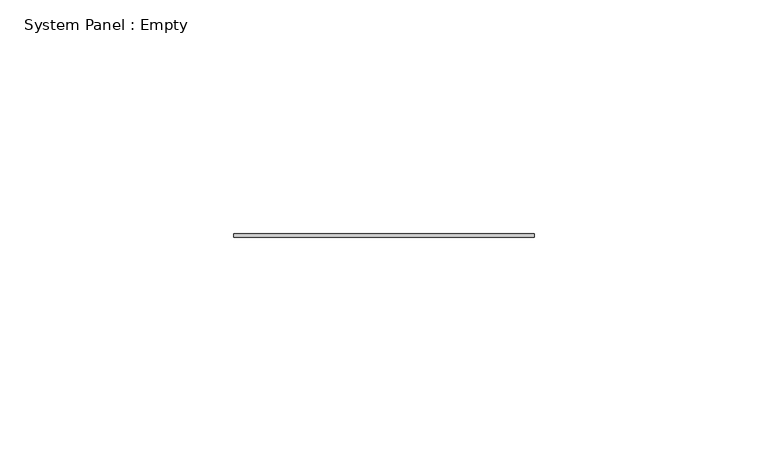
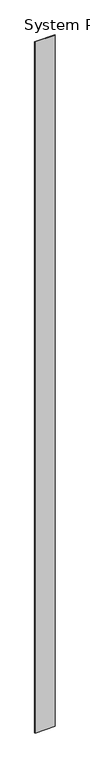
"""IFC4 building model written with IfcOpenShell, lengths in millimetres: plate geometry, System Panel : Empty."""

import ifcopenshell
import ifcopenshell.guid

model = None  # the IFC model being written
_history = None  # IfcOwnerHistory: only IFC2X3 demands one
_inside = {}  # id of a spatial element -> (the spatial element, [elements in it])
_under = {}  # id of a project, library or spatial element -> (it, [spatial elements below it])
_declared = {}  # id of a project -> (the project, [libraries it declares])
_typed = {}  # id of a type object -> (the type object, [elements of that type])
_made_of = {}  # id of a material, layer set ... -> (it, [elements and type objects made of it])


def new_model(schema):
    """Start an empty IFC model of exactly this schema.

    Asked for "IFC4X3", IfcOpenShell would pick the latest addendum, in which some entities
    have other attributes; the version numbers below select the first issue.
    IFC2X3 requires an IfcOwnerHistory on every rooted entity: one is made here for all.
    """
    global model, _history
    if schema == "IFC4X3":
        model = ifcopenshell.file(schema_version=(4, 3, 0, 0))
    else:
        model = ifcopenshell.file(schema=schema)
    _inside.clear()
    _under.clear()
    _declared.clear()
    _typed.clear()
    _made_of.clear()
    _history = None
    if model.schema == "IFC2X3":
        org = make("IfcOrganization", Name="unknown")
        user = make(
            "IfcPersonAndOrganization",
            ThePerson=make("IfcPerson", FamilyName="unknown"),
            TheOrganization=org,
        )
        app = make(
            "IfcApplication",
            ApplicationDeveloper=org,
            Version="unknown",
            ApplicationFullName="unknown",
            ApplicationIdentifier="unknown",
        )
        _history = make(
            "IfcOwnerHistory",
            OwningUser=user,
            OwningApplication=app,
            ChangeAction="ADDED",
            CreationDate=0,
        )
    return model


def make(cls, **values):
    """One entity of the class cls with the attributes given. An attribute that is None is left unset."""
    return model.create_entity(
        cls, **{name: value for name, value in values.items() if value is not None}
    )


def rooted(cls, **values):
    """An entity with a GlobalId (a new one), such as an element, a storey or a relation."""
    return make(cls, GlobalId=ifcopenshell.guid.new(), OwnerHistory=_history, **values)


def si_unit(unit_type, name, prefix=None):
    """IfcSIUnit, for example si_unit("LENGTHUNIT", "METRE", prefix="MILLI")."""
    return make("IfcSIUnit", UnitType=unit_type, Prefix=prefix, Name=name)


def assignment(units):
    """IfcUnitAssignment: the units of a project."""
    return None if units is None else make("IfcUnitAssignment", Units=units)


def point(xyz):
    """IfcCartesianPoint."""
    return None if xyz is None else make("IfcCartesianPoint", Coordinates=xyz)


def direction(xyz):
    """IfcDirection."""
    return None if xyz is None else make("IfcDirection", DirectionRatios=xyz)


def frame(location, z_axis=None, x_axis=None):
    """IfcAxis2Placement3D, a coordinate frame: its origin and axes. An axis left out is left unset."""
    return make(
        "IfcAxis2Placement3D",
        Location=point(location),
        Axis=direction(z_axis),
        RefDirection=direction(x_axis),
    )


def origin():
    """The frame at (0, 0, 0) with its axes left unset."""
    return frame((0.0, 0.0, 0.0))


def origin_with_axes():
    """The frame at (0, 0, 0) with the z axis (0, 0, 1) and the x axis (1, 0, 0) written out."""
    return frame((0.0, 0.0, 0.0), z_axis=(0.0, 0.0, 1.0), x_axis=(1.0, 0.0, 0.0))


def place(relative_to, where):
    """IfcLocalPlacement: puts the frame where relative to a parent placement (None: the world)."""
    return make(
        "IfcLocalPlacement", PlacementRelTo=relative_to, RelativePlacement=where
    )


def context(
    kind, dimensions, precision=None, world=None, true_north=None, identifier=None
):
    """IfcGeometricRepresentationContext, for example the 3D "Model" context."""
    return make(
        "IfcGeometricRepresentationContext",
        ContextIdentifier=identifier,
        ContextType=kind,
        CoordinateSpaceDimension=dimensions,
        Precision=precision,
        WorldCoordinateSystem=world,
        TrueNorth=true_north,
    )


def project(units=None, contexts=None):
    """IfcProject with its units and contexts."""
    return rooted(
        "IfcProject",
        Name="project",
        RepresentationContexts=contexts,
        UnitsInContext=assignment(units),
    )


def spatial(cls, under=None, at=None, **own):
    """A site, building, storey or space (cls), placed at a placement, below another one or the project."""
    s = rooted(cls, ObjectPlacement=at, **own)
    if under is not None:
        _under.setdefault(under.id(), (under, []))[1].append(s)
    return s


def polyline(points):
    """IfcPolyline through the points."""
    return make("IfcPolyline", Points=[point(p) for p in points])


def outline(outer, holes=None, kind="AREA"):
    """IfcArbitraryClosedProfileDef: a profile drawn as a closed curve; with holes, ...WithVoids."""
    if holes is None:
        return make("IfcArbitraryClosedProfileDef", ProfileType=kind, OuterCurve=outer)
    return make(
        "IfcArbitraryProfileDefWithVoids",
        ProfileType=kind,
        OuterCurve=outer,
        InnerCurves=holes,
    )


def extrude(swept, where, along, depth):
    """IfcExtrudedAreaSolid: the profile swept, set in the frame where, extruded along a direction by depth."""
    return make(
        "IfcExtrudedAreaSolid",
        SweptArea=swept,
        Position=where,
        ExtrudedDirection=direction(along),
        Depth=depth,
    )


def shape(context_of_items, identifier, shape_type, items):
    """IfcShapeRepresentation: the items that make up one representation, for example the "Body"."""
    return make(
        "IfcShapeRepresentation",
        ContextOfItems=context_of_items,
        RepresentationIdentifier=identifier,
        RepresentationType=shape_type,
        Items=items,
    )


def source(mapping_origin, context_of_items, identifier, shape_type, items):
    """IfcRepresentationMap: a shape defined once, which mapped items show again and again."""
    return make(
        "IfcRepresentationMap",
        MappingOrigin=mapping_origin,
        MappedRepresentation=shape(context_of_items, identifier, shape_type, items),
    )


def transform(
    local_origin,
    x_axis=None,
    y_axis=None,
    z_axis=None,
    scale=None,
    scale2=None,
    scale3=None,
    uniform=True,
):
    """IfcCartesianTransformationOperator3D, or its non-uniform kind. x_axis, y_axis, z_axis: its Axis1, 2, 3."""
    if uniform:
        return make(
            "IfcCartesianTransformationOperator3D",
            Axis1=direction(x_axis),
            Axis2=direction(y_axis),
            LocalOrigin=point(local_origin),
            Scale=scale,
            Axis3=direction(z_axis),
        )
    return make(
        "IfcCartesianTransformationOperator3DnonUniform",
        Axis1=direction(x_axis),
        Axis2=direction(y_axis),
        LocalOrigin=point(local_origin),
        Scale=scale,
        Axis3=direction(z_axis),
        Scale2=scale2,
        Scale3=scale3,
    )


def mapped(mapping_source, mapping_target):
    """IfcMappedItem: shows the shape of a source again, moved by a transform."""
    return make(
        "IfcMappedItem", MappingSource=mapping_source, MappingTarget=mapping_target
    )


def made_of(thing, what):
    """Note that an element or type object is made of a material, layer set ...; save() writes the relation."""
    if what is not None:
        _made_of.setdefault(what.id(), (what, []))[1].append(thing)
    return thing


def element(
    cls,
    number,
    at=None,
    inside=None,
    cuts=None,
    type_object=None,
    material=None,
    context=None,
    identifier="Body",
    shape_type=None,
    held_by="IfcProductDefinitionShape",
    body=None,
    shapes=None,
    **own,
):
    """One element of the class cls, such as IfcWall. Its Tag is "e" and its number.

    at: its placement. inside: the storey or other place that contains it. cuts: it is an
    opening in that element (IfcRelVoidsElement). A single representation is given by context,
    identifier, shape_type and body (its items); several are given by shapes. held_by: the class
    of the entity that holds the representations. save() writes the other relations.
    """
    e = rooted(cls, Tag="e%d" % number, ObjectPlacement=at, **own)
    if body is not None:
        shapes = [shape(context, identifier, shape_type, body)]
    if shapes is not None:
        e.Representation = make(held_by, Representations=shapes)
    if inside is not None:
        _inside.setdefault(inside.id(), (inside, []))[1].append(e)
    if cuts is not None:
        rooted(
            "IfcRelVoidsElement", RelatingBuildingElement=cuts, RelatedOpeningElement=e
        )
    if type_object is not None:
        _typed.setdefault(type_object.id(), (type_object, []))[1].append(e)
    return made_of(e, material)


def aggregate(whole, parts):
    """IfcRelAggregates: a whole, such as a stair, and the parts it consists of."""
    return rooted("IfcRelAggregates", RelatingObject=whole, RelatedObjects=parts)


def save(model, path):
    """Write the relations noted so far, then the file.

    IfcRelAggregates (storeys below a building ...), IfcRelContainedInSpatialStructure (elements
    in a storey), IfcRelDefinesByType, IfcRelAssociatesMaterial and IfcRelDeclares: one each for
    every whole, place, type object, material and project.
    """
    for whole, parts in _under.values():
        aggregate(whole, parts)
    for where, things in _inside.values():
        rooted(
            "IfcRelContainedInSpatialStructure",
            RelatedElements=things,
            RelatingStructure=where,
        )
    for kind, things in _typed.values():
        rooted("IfcRelDefinesByType", RelatedObjects=things, RelatingType=kind)
    for what, things in _made_of.values():
        rooted("IfcRelAssociatesMaterial", RelatedObjects=things, RelatingMaterial=what)
    for by, libraries in _declared.values():
        rooted("IfcRelDeclares", RelatingContext=by, RelatedDefinitions=libraries)
    model.write(path)


def system_panel_empty_724a3931(model_context):
    return source(origin(), model_context, "Body", "SweptSolid", [
        extrude(outline(polyline([(32.223075, -0.396875), (-32.223075, -0.396875), (-32.223075, 0.396875), (32.223075, 0.396875), (32.223075, -0.396875)])), origin_with_axes(), (0.0, 0.0, 1.0), 2330.45),
    ])


if __name__ == "__main__":
    model = new_model("IFC4")
    model_context = context("Model", 3, world=origin())
    ifc_project = project(units=[si_unit("LENGTHUNIT", "METRE", prefix="MILLI")], contexts=[model_context])
    site = spatial("IfcSite", under=ifc_project)
    building = spatial("IfcBuilding", under=site)
    placement = place(None, origin())
    system_panel_empty_shape = system_panel_empty_724a3931(model_context)
    element("IfcPlate", 1, ObjectType="System Panel : Empty", at=placement, inside=building, context=model_context, shape_type="MappedRepresentation", body=[
        mapped(system_panel_empty_shape, transform((0.0, 0.0, 0.0), x_axis=(1.0, 0.0, 0.0), y_axis=(0.0, 1.0, 0.0), z_axis=(0.0, 0.0, 1.0))),
    ])
    save(model, "model.ifc")
